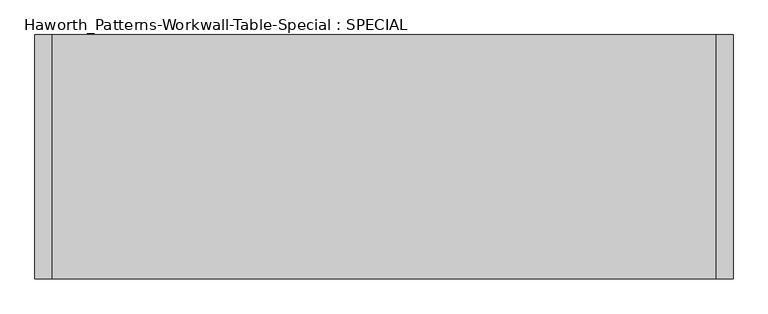
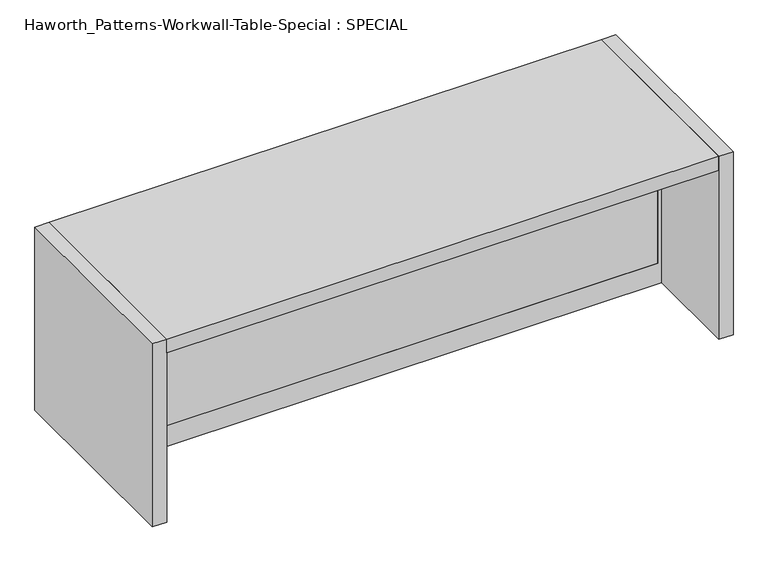
"""IFC4 building model written with IfcOpenShell, lengths in millimetres: furniture geometry, Haworth_Patterns-Workwall-Table-Special : SPECIAL."""

from ifc_helpers import new_model, si_unit, frame, origin, origin_with_axes, place, context, project, spatial, polyline, outline, extrude, source, transform, mapped, element, save


def haworth_patterns_workwall_table_special_special_efcc7e90(model_context):
    return source(origin(), model_context, "Body", "SweptSolid", [
        extrude(outline(polyline([(895.35, 88.9), (-1962.15, 88.9), (-1962.15, 114.3), (895.35, 114.3), (895.35, 88.9)])), frame((0.0, 0.0, 114.3), z_axis=(0.0, 0.0, 1.0), x_axis=(1.0, 0.0, 0.0)), (0.0, 0.0, 1.0), 812.8),
        extrude(outline(polyline([(952.5, 914.4), (952.5, -1981.2), (0.0, -1981.2), (0.0, 914.4), (952.5, 914.4)]), holes=[polyline([(927.1, 895.35), (114.3, 895.35), (114.3, -1962.15), (927.1, -1962.15), (927.1, 895.35)])]), frame((0.0, 88.9, 0.0), z_axis=(0.0, 1.0, 0.0), x_axis=(0.0, 0.0, 1.0)), (0.0, 0.0, 1.0), 25.4),
        extrude(outline(polyline([(914.4, -431.8), (-1981.2, -431.8), (-1981.2, 635.0), (914.4, 635.0), (914.4, -431.8)])), frame((0.0, 0.0, 939.8), z_axis=(0.0, 0.0, 1.0), x_axis=(1.0, 0.0, 0.0)), (0.0, 0.0, 1.0), 76.2),
        extrude(outline(polyline([(990.6, 635.0), (990.6, -431.8), (914.4, -431.8), (914.4, 635.0), (990.6, 635.0)])), origin_with_axes(), (0.0, 0.0, 1.0), 1016.0),
        extrude(outline(polyline([(-1981.2, 635.0), (-1981.2, -431.8), (-2057.4, -431.8), (-2057.4, 635.0), (-1981.2, 635.0)])), origin_with_axes(), (0.0, 0.0, 1.0), 1016.0),
    ])


if __name__ == "__main__":
    model = new_model("IFC4")
    model_context = context("Model", 3, world=origin())
    ifc_project = project(units=[si_unit("LENGTHUNIT", "METRE", prefix="MILLI")], contexts=[model_context])
    site = spatial("IfcSite", under=ifc_project)
    building = spatial("IfcBuilding", under=site)
    placement = place(None, origin())
    haworth_patterns_workwall_table_special_special_shape = haworth_patterns_workwall_table_special_special_efcc7e90(model_context)
    element("IfcFurniture", 1, ObjectType="Haworth_Patterns-Workwall-Table-Special : SPECIAL", at=placement, inside=building, context=model_context, shape_type="MappedRepresentation", body=[
        mapped(haworth_patterns_workwall_table_special_special_shape, transform((0.0, 0.0, 0.0), x_axis=(1.0, 0.0, 0.0), y_axis=(0.0, 1.0, 0.0), z_axis=(0.0, 0.0, 1.0))),
    ])
    save(model, "model.ifc")
